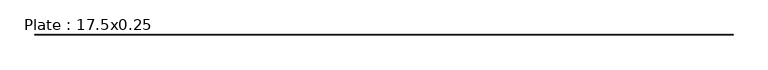
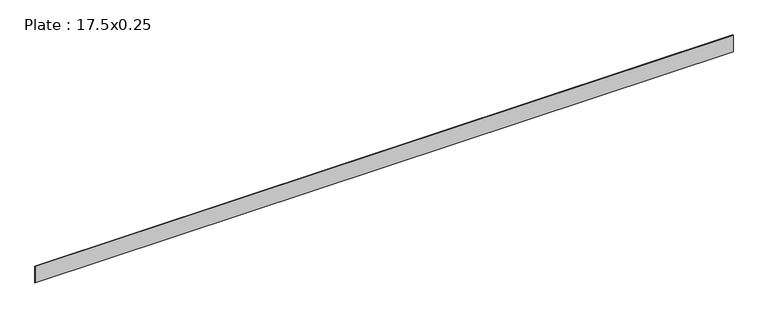
"""IFC4 building model written with IfcOpenShell, lengths in millimetres: beam geometry, Plate : 17.5x0.25."""

from ifc_helpers import new_model, si_unit, frame, origin, place, context, project, spatial, polyline, outline, extrude, source, transform, mapped, element, save


def plate_17_5x0_25_1ae2a3bb(model_context):
    return source(origin(), model_context, "Body", "SweptSolid", [
        extrude(outline(polyline([(8837.3044885, -3.175), (-8701.3955115, -3.175), (-8701.3955115, 3.175), (8837.3044885, 3.175), (8837.3044885, -3.175)])), frame((0.0, 0.0, -222.25), z_axis=(0.0, 0.0, 1.0), x_axis=(1.0, 0.0, 0.0)), (0.0, 0.0, 1.0), 444.5),
    ])


if __name__ == "__main__":
    model = new_model("IFC4")
    model_context = context("Model", 3, world=origin())
    ifc_project = project(units=[si_unit("LENGTHUNIT", "METRE", prefix="MILLI")], contexts=[model_context])
    site = spatial("IfcSite", under=ifc_project)
    building = spatial("IfcBuilding", under=site)
    placement = place(None, origin())
    plate_17_5x0_25_shape = plate_17_5x0_25_1ae2a3bb(model_context)
    element("IfcBeam", 1, ObjectType="Plate : 17.5x0.25", at=placement, inside=building, context=model_context, shape_type="MappedRepresentation", body=[
        mapped(plate_17_5x0_25_shape, transform((0.0, 0.0, 0.0), x_axis=(1.0, 0.0, 0.0), y_axis=(0.0, 1.0, 0.0), z_axis=(0.0, 0.0, 1.0))),
    ])
    save(model, "model.ifc")
